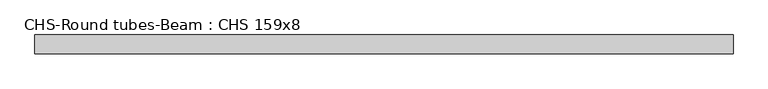
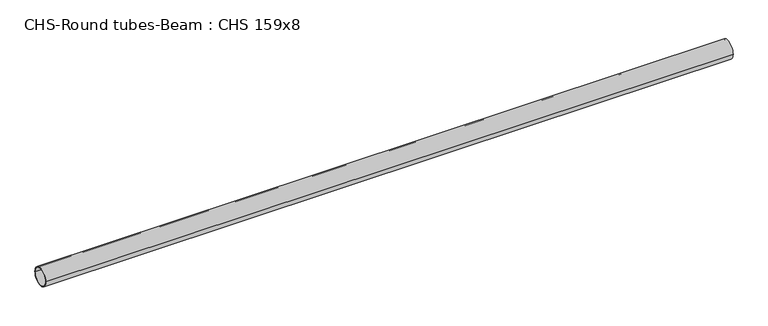
"""IFC4 building model written with IfcOpenShell, lengths in millimetres: beam geometry, CHS-Round tubes-Beam : CHS 159x8."""

from ifc_helpers import new_model, si_unit, point, frame, origin, origin_2d, place, context, project, spatial, circle_curve, trimmed, segment, composite_curve, outline, extrude, source, transform, mapped, element, save


def chs_round_tubes_beam_chs_159x8_f2afc9ef(model_context):
    return source(origin(), model_context, "Body", "SweptSolid", [
        extrude(outline(composite_curve([segment(trimmed(circle_curve(origin_2d(), 79.5), [point((79.5, 0.0))], [point((-79.5, 0.0))], False, "CARTESIAN"), True, "CONTINUOUS"), segment(trimmed(circle_curve(origin_2d(), 79.5), [point((-79.5, 0.0))], [point((79.5, 0.0))], False, "CARTESIAN"), True, "CONTINUOUS")], self_intersect=False), holes=[composite_curve([segment(trimmed(circle_curve(origin_2d(), 71.5), [point((71.5, 0.0))], [point((-71.5, 0.0))], True, "CARTESIAN"), True, "CONTINUOUS"), segment(trimmed(circle_curve(origin_2d(), 71.5), [point((-71.5, 0.0))], [point((71.5, 0.0))], True, "CARTESIAN"), True, "CONTINUOUS")], self_intersect=False)]), frame((-2943.2600396, 0.0, 0.0), z_axis=(1.0, 0.0, 0.0), x_axis=(0.0, 1.0, 0.0)), (0.0, 0.0, 1.0), 5873.2037362),
    ])


if __name__ == "__main__":
    model = new_model("IFC4")
    model_context = context("Model", 3, world=origin())
    ifc_project = project(units=[si_unit("LENGTHUNIT", "METRE", prefix="MILLI")], contexts=[model_context])
    site = spatial("IfcSite", under=ifc_project)
    building = spatial("IfcBuilding", under=site)
    placement = place(None, origin())
    chs_round_tubes_beam_chs_159x8_shape = chs_round_tubes_beam_chs_159x8_f2afc9ef(model_context)
    element("IfcBeam", 1, ObjectType="CHS-Round tubes-Beam : CHS 159x8", at=placement, inside=building, context=model_context, shape_type="MappedRepresentation", body=[
        mapped(chs_round_tubes_beam_chs_159x8_shape, transform((0.0, 0.0, 0.0), x_axis=(1.0, 0.0, 0.0), y_axis=(0.0, 1.0, 0.0), z_axis=(0.0, 0.0, 1.0))),
    ])
    save(model, "model.ifc")
